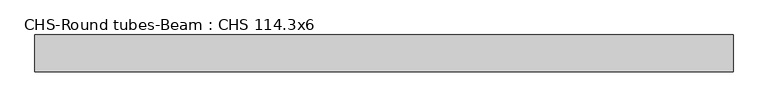
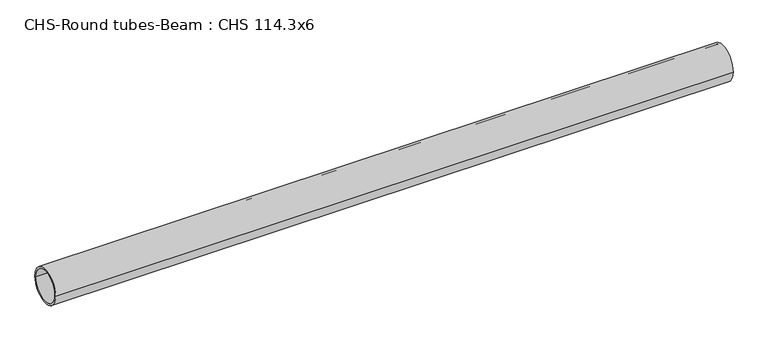
"""IFC4 building model written with IfcOpenShell, lengths in millimetres: beam geometry, CHS-Round tubes-Beam : CHS 114.3x6."""

from ifc_helpers import new_model, si_unit, point, frame, origin, origin_2d, place, context, project, spatial, circle_curve, trimmed, segment, composite_curve, outline, extrude, source, transform, mapped, element, save


def chs_round_tubes_beam_chs_114_3x6_956aa131(model_context):
    return source(origin(), model_context, "Body", "SweptSolid", [
        extrude(outline(composite_curve([segment(trimmed(circle_curve(origin_2d(), 57.15), [point((57.15, 0.0))], [point((-57.15, 0.0))], False, "CARTESIAN"), True, "CONTINUOUS"), segment(trimmed(circle_curve(origin_2d(), 57.15), [point((-57.15, 0.0))], [point((57.15, 0.0))], False, "CARTESIAN"), True, "CONTINUOUS")], self_intersect=False), holes=[composite_curve([segment(trimmed(circle_curve(origin_2d(), 51.15), [point((51.15, 0.0))], [point((-51.15, 0.0))], True, "CARTESIAN"), True, "CONTINUOUS"), segment(trimmed(circle_curve(origin_2d(), 51.15), [point((-51.15, 0.0))], [point((51.15, 0.0))], True, "CARTESIAN"), True, "CONTINUOUS")], self_intersect=False)]), frame((-1049.6640839, 0.0, 0.0), z_axis=(1.0, 0.0, 0.0), x_axis=(0.0, 1.0, 0.0)), (0.0, 0.0, 1.0), 2173.1868972),
    ])


if __name__ == "__main__":
    model = new_model("IFC4")
    model_context = context("Model", 3, world=origin())
    ifc_project = project(units=[si_unit("LENGTHUNIT", "METRE", prefix="MILLI")], contexts=[model_context])
    site = spatial("IfcSite", under=ifc_project)
    building = spatial("IfcBuilding", under=site)
    placement = place(None, origin())
    chs_round_tubes_beam_chs_114_3x6_shape = chs_round_tubes_beam_chs_114_3x6_956aa131(model_context)
    element("IfcBeam", 1, ObjectType="CHS-Round tubes-Beam : CHS 114.3x6", at=placement, inside=building, context=model_context, shape_type="MappedRepresentation", body=[
        mapped(chs_round_tubes_beam_chs_114_3x6_shape, transform((0.0, 0.0, 0.0), x_axis=(1.0, 0.0, 0.0), y_axis=(0.0, 1.0, 0.0), z_axis=(0.0, 0.0, 1.0))),
    ])
    save(model, "model.ifc")
